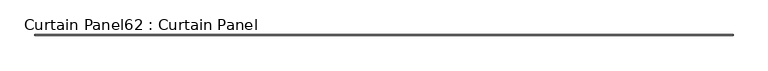
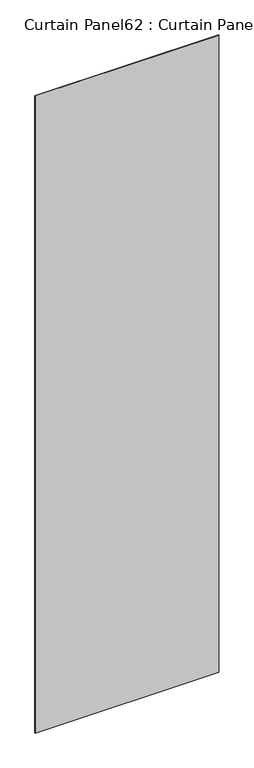
"""IFC4 building model written with IfcOpenShell, lengths in millimetres: plate geometry, Curtain Panel62 : Curtain Panel."""

from ifc_helpers import new_model, si_unit, frame, origin, place, context, project, spatial, polyline, outline, extrude, source, transform, mapped, element, save


def curtain_panel62_curtain_panel_25346574(model_context):
    return source(origin(), model_context, "Body", "SweptSolid", [
        extrude(outline(polyline([(98910.3855988, 8038.1084949), (94628.3885722, 8038.1084949), (94628.3885722, 8044.4584949), (98910.3855988, 8044.4584949), (98910.3855988, 8038.1084949)])), frame((0.0, 0.0, 1433.7679301), z_axis=(0.0, 0.0, 1.0), x_axis=(1.0, 0.0, 0.0)), (0.0, 0.0, 1.0), 15711.5380959),
    ])


if __name__ == "__main__":
    model = new_model("IFC4")
    model_context = context("Model", 3, world=origin())
    ifc_project = project(units=[si_unit("LENGTHUNIT", "METRE", prefix="MILLI")], contexts=[model_context])
    site = spatial("IfcSite", under=ifc_project)
    building = spatial("IfcBuilding", under=site)
    placement = place(None, origin())
    curtain_panel62_curtain_panel_shape = curtain_panel62_curtain_panel_25346574(model_context)
    element("IfcPlate", 1, ObjectType="Curtain Panel62 : Curtain Panel", at=placement, inside=building, context=model_context, shape_type="MappedRepresentation", body=[
        mapped(curtain_panel62_curtain_panel_shape, transform((0.0, 0.0, 0.0), x_axis=(1.0, 0.0, 0.0), y_axis=(0.0, 1.0, 0.0), z_axis=(0.0, 0.0, 1.0))),
    ])
    save(model, "model.ifc")
